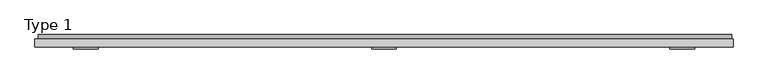
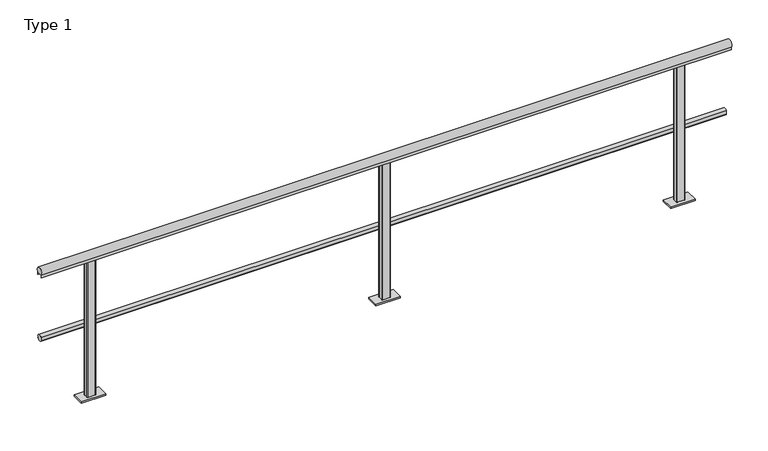
"""IFC4 building model written with IfcOpenShell, lengths in millimetres: railing geometry, Type 1."""

from ifc_helpers import new_model, si_unit, point, frame, frame_2d, origin, place, context, project, spatial, polyline, circle_curve, trimmed, segment, composite_curve, outline, extrude, source, transform, mapped, element, save
from ifc_brep_helpers import plane_surface, cylinder_surface, advanced_brep


def type_1_fb92566c(model_context):
    return source(origin(), model_context, "Body", "SolidModel", [
        extrude(outline(composite_curve([segment(trimmed(circle_curve(frame_2d((-5.287505, 488.0)), 20.0), [point((13.3, 480.617273))], [point((-21.0, 475.6259343))], False, "CARTESIAN"), True, "CONTINUOUS"), segment(polyline([(-21.0, 475.6259343), (-21.0, 500.3740657)]), True, "CONTINUOUS"), segment(trimmed(circle_curve(frame_2d((-5.287505, 488.0)), 20.0), [point((-21.0, 500.3740657))], [point((13.3, 495.382727))], False, "CARTESIAN"), True, "CONTINUOUS"), segment(polyline([(13.3, 495.382727), (9.3, 495.382727), (9.3, 480.617273), (13.3, 480.617273)]), True, "CONTINUOUS")], self_intersect=False)), frame((-280.0, 0.0, 0.0), z_axis=(1.0, 0.0, 0.0), x_axis=(0.0, 1.0, 0.0)), (0.0, 0.0, 1.0), 4470.0),
        extrude(outline(composite_curve([segment(trimmed(circle_curve(frame_2d((-40.0, 975.0)), 25.0), [point((-61.0, 961.43534))], [point((-19.0, 961.43534))], False, "CARTESIAN"), True, "CONTINUOUS"), segment(polyline([(-19.0, 961.43534), (-19.0, 943.0), (-20.0, 943.0), (-20.0, 958.0), (-60.0, 958.0), (-60.0, 943.0), (-61.0, 943.0), (-61.0, 961.43534)]), True, "CONTINUOUS")], self_intersect=False)), frame((-300.0, 0.0, 0.0), z_axis=(1.0, 0.0, 0.0), x_axis=(0.0, 1.0, 0.0)), (0.0, 0.0, 1.0), 4500.0),
        advanced_brep(
        [(1927.0, -59.0, 958.0), (1973.0, -59.0, 958.0), (1978.0, -54.0, 958.0), (1978.0, -26.0, 958.0), (1973.0, -21.0, 958.0), (1927.0, -21.0, 958.0), (1922.0, -26.0, 958.0), (1922.0, -54.0, 958.0), (1870.0, -80.0, 0.0), (1870.0, 0.0, 0.0), (2030.0, 0.0, 0.0), (2030.0, -80.0, 0.0), (1927.0, -59.0, 11.0), (1973.0, -59.0, 11.0), (1978.0, -54.0, 11.0), (1978.0, -26.0, 11.0), (1973.0, -21.0, 11.0), (1927.0, -21.0, 11.0), (1922.0, -26.0, 11.0), (1922.0, -54.0, 11.0), (1870.0, -80.0, 11.0), (2030.0, -80.0, 11.0), (2030.0, 0.0, 11.0), (1870.0, 0.0, 11.0)],
        [
            (0, 1),
            (1, 2, circle_curve(frame((1973.0, -54.0, 958.0), z_axis=(0.0, 0.0, 1.0), x_axis=(-1.0, 0.0, 0.0)), 5.0)),
            (2, 3),
            (3, 4, circle_curve(frame((1973.0, -26.0, 958.0), z_axis=(0.0, 0.0, 1.0), x_axis=(-1.0, 0.0, 0.0)), 5.0)),
            (4, 5),
            (5, 6, circle_curve(frame((1927.0, -26.0, 958.0), z_axis=(0.0, 0.0, 1.0), x_axis=(-1.0, 0.0, 0.0)), 5.0)),
            (6, 7),
            (7, 0, circle_curve(frame((1927.0, -54.0, 958.0), z_axis=(0.0, 0.0, 1.0), x_axis=(-1.0, 0.0, 0.0)), 5.0)),
            (8, 9),
            (9, 10),
            (10, 11),
            (11, 8),
            (0, 12),
            (12, 13),
            (13, 1),
            (13, 14, circle_curve(frame((1973.0, -54.0, 11.0), z_axis=(0.0, 0.0, 1.0), x_axis=(-1.0, 0.0, 0.0)), 5.0)),
            (14, 2),
            (14, 15),
            (15, 3),
            (15, 16, circle_curve(frame((1973.0, -26.0, 11.0), z_axis=(0.0, 0.0, 1.0), x_axis=(-1.0, 0.0, 0.0)), 5.0)),
            (16, 4),
            (16, 17),
            (17, 5),
            (17, 18, circle_curve(frame((1927.0, -26.0, 11.0), z_axis=(0.0, 0.0, 1.0), x_axis=(-1.0, 0.0, 0.0)), 5.0)),
            (18, 6),
            (18, 19),
            (19, 7),
            (19, 12, circle_curve(frame((1927.0, -54.0, 11.0), z_axis=(0.0, 0.0, 1.0), x_axis=(-1.0, 0.0, 0.0)), 5.0)),
            (20, 21),
            (21, 22),
            (22, 23),
            (23, 20),
            (20, 8),
            (11, 21),
            (10, 22),
            (9, 23),
        ],
        [
            plane_surface(frame((1973.0, -59.0, 958.0), z_axis=(0.0, 0.0, 1.0), x_axis=(1.0, 0.0, 0.0))),
            plane_surface(frame((1973.0, -59.0, 0.0), z_axis=(0.0, 0.0, -1.0), x_axis=(-1.0, 0.0, 0.0))),
            plane_surface(frame((1927.0, -59.0, 958.0), z_axis=(0.0, -1.0, 0.0), x_axis=(0.0, 0.0, -1.0))),
            cylinder_surface(frame((1973.0, -54.0, 0.0), z_axis=(0.0, 0.0, 1.0), x_axis=(-1.0, 0.0, 0.0)), 5.0),
            plane_surface(frame((1978.0, -54.0, 958.0), z_axis=(1.0, 0.0, 0.0), x_axis=(0.0, 0.0, -1.0))),
            cylinder_surface(frame((1973.0, -26.0, 0.0), z_axis=(0.0, 0.0, 1.0), x_axis=(-1.0, 0.0, 0.0)), 5.0),
            plane_surface(frame((1973.0, -21.0, 958.0), z_axis=(0.0, 1.0, 0.0), x_axis=(0.0, 0.0, -1.0))),
            cylinder_surface(frame((1927.0, -26.0, 0.0), z_axis=(0.0, 0.0, 1.0), x_axis=(-1.0, 0.0, 0.0)), 5.0),
            plane_surface(frame((1922.0, -26.0, 958.0), z_axis=(-1.0, 0.0, 0.0), x_axis=(0.0, 0.0, -1.0))),
            cylinder_surface(frame((1927.0, -54.0, 0.0), z_axis=(0.0, 0.0, 1.0), x_axis=(-1.0, 0.0, 0.0)), 5.0),
            plane_surface(frame((2030.0, -80.0, 11.0), z_axis=(0.0, 0.0, 1.0), x_axis=(1.0, 0.0, 0.0))),
            plane_surface(frame((1870.0, -80.0, 11.0), z_axis=(0.0, -1.0, 0.0), x_axis=(0.0, 0.0, -1.0))),
            plane_surface(frame((2030.0, -80.0, 11.0), z_axis=(1.0, 0.0, 0.0), x_axis=(0.0, 0.0, -1.0))),
            plane_surface(frame((2030.0, 0.0, 11.0), z_axis=(0.0, 1.0, 0.0), x_axis=(0.0, 0.0, -1.0))),
            plane_surface(frame((1870.0, 0.0, 11.0), z_axis=(-1.0, 0.0, 0.0), x_axis=(0.0, 0.0, -1.0))),
        ],
        [
            (0, [[1, 2, 3, 4, 5, 6, 7, 8]]),
            (1, [[9, 10, 11, 12]]),
            (2, [[-1, 13, 14, 15]]),
            (3, [[-2, -15, 16, 17]]),
            (4, [[-3, -17, 18, 19]]),
            (5, [[-4, -19, 20, 21]]),
            (6, [[-5, -21, 22, 23]]),
            (7, [[-6, -23, 24, 25]]),
            (8, [[-7, -25, 26, 27]]),
            (9, [[-8, -27, 28, -13]]),
            (10, [[29, 30, 31, 32], [-14, -28, -26, -24, -22, -20, -18, -16]]),
            (11, [[-29, 33, -12, 34]]),
            (12, [[-30, -34, -11, 35]]),
            (13, [[-31, -35, -10, 36]]),
            (14, [[-32, -36, -9, -33]]),
        ],
    ),
        advanced_brep(
        [(3849.0, -59.0, 958.0), (3895.0, -59.0, 958.0), (3900.0, -54.0, 958.0), (3900.0, -26.0, 958.0), (3895.0, -21.0, 958.0), (3849.0, -21.0, 958.0), (3844.0, -26.0, 958.0), (3844.0, -54.0, 958.0), (3792.0, -80.0, 0.0), (3792.0, 0.0, 0.0), (3952.0, 0.0, 0.0), (3952.0, -80.0, 0.0), (3849.0, -59.0, 11.0), (3895.0, -59.0, 11.0), (3900.0, -54.0, 11.0), (3900.0, -26.0, 11.0), (3895.0, -21.0, 11.0), (3849.0, -21.0, 11.0), (3844.0, -26.0, 11.0), (3844.0, -54.0, 11.0), (3792.0, -80.0, 11.0), (3952.0, -80.0, 11.0), (3952.0, 0.0, 11.0), (3792.0, 0.0, 11.0)],
        [
            (0, 1),
            (1, 2, circle_curve(frame((3895.0, -54.0, 958.0), z_axis=(0.0, 0.0, 1.0), x_axis=(-1.0, 0.0, 0.0)), 5.0)),
            (2, 3),
            (3, 4, circle_curve(frame((3895.0, -26.0, 958.0), z_axis=(0.0, 0.0, 1.0), x_axis=(-1.0, 0.0, 0.0)), 5.0)),
            (4, 5),
            (5, 6, circle_curve(frame((3849.0, -26.0, 958.0), z_axis=(0.0, 0.0, 1.0), x_axis=(-1.0, 0.0, 0.0)), 5.0)),
            (6, 7),
            (7, 0, circle_curve(frame((3849.0, -54.0, 958.0), z_axis=(0.0, 0.0, 1.0), x_axis=(-1.0, 0.0, 0.0)), 5.0)),
            (8, 9),
            (9, 10),
            (10, 11),
            (11, 8),
            (0, 12),
            (12, 13),
            (13, 1),
            (13, 14, circle_curve(frame((3895.0, -54.0, 11.0), z_axis=(0.0, 0.0, 1.0), x_axis=(-1.0, 0.0, 0.0)), 5.0)),
            (14, 2),
            (14, 15),
            (15, 3),
            (15, 16, circle_curve(frame((3895.0, -26.0, 11.0), z_axis=(0.0, 0.0, 1.0), x_axis=(-1.0, 0.0, 0.0)), 5.0)),
            (16, 4),
            (16, 17),
            (17, 5),
            (17, 18, circle_curve(frame((3849.0, -26.0, 11.0), z_axis=(0.0, 0.0, 1.0), x_axis=(-1.0, 0.0, 0.0)), 5.0)),
            (18, 6),
            (18, 19),
            (19, 7),
            (19, 12, circle_curve(frame((3849.0, -54.0, 11.0), z_axis=(0.0, 0.0, 1.0), x_axis=(-1.0, 0.0, 0.0)), 5.0)),
            (20, 21),
            (21, 22),
            (22, 23),
            (23, 20),
            (20, 8),
            (11, 21),
            (10, 22),
            (9, 23),
        ],
        [
            plane_surface(frame((3895.0, -59.0, 958.0), z_axis=(0.0, 0.0, 1.0), x_axis=(1.0, 0.0, 0.0))),
            plane_surface(frame((3895.0, -59.0, 0.0), z_axis=(0.0, 0.0, -1.0), x_axis=(-1.0, 0.0, 0.0))),
            plane_surface(frame((3849.0, -59.0, 958.0), z_axis=(0.0, -1.0, 0.0), x_axis=(0.0, 0.0, -1.0))),
            cylinder_surface(frame((3895.0, -54.0, 0.0), z_axis=(0.0, 0.0, 1.0), x_axis=(-1.0, 0.0, 0.0)), 5.0),
            plane_surface(frame((3900.0, -54.0, 958.0), z_axis=(1.0, 0.0, 0.0), x_axis=(0.0, 0.0, -1.0))),
            cylinder_surface(frame((3895.0, -26.0, 0.0), z_axis=(0.0, 0.0, 1.0), x_axis=(-1.0, 0.0, 0.0)), 5.0),
            plane_surface(frame((3895.0, -21.0, 958.0), z_axis=(0.0, 1.0, 0.0), x_axis=(0.0, 0.0, -1.0))),
            cylinder_surface(frame((3849.0, -26.0, 0.0), z_axis=(0.0, 0.0, 1.0), x_axis=(-1.0, 0.0, 0.0)), 5.0),
            plane_surface(frame((3844.0, -26.0, 958.0), z_axis=(-1.0, 0.0, 0.0), x_axis=(0.0, 0.0, -1.0))),
            cylinder_surface(frame((3849.0, -54.0, 0.0), z_axis=(0.0, 0.0, 1.0), x_axis=(-1.0, 0.0, 0.0)), 5.0),
            plane_surface(frame((3952.0, -80.0, 11.0), z_axis=(0.0, 0.0, 1.0), x_axis=(1.0, 0.0, 0.0))),
            plane_surface(frame((3792.0, -80.0, 11.0), z_axis=(0.0, -1.0, 0.0), x_axis=(0.0, 0.0, -1.0))),
            plane_surface(frame((3952.0, -80.0, 11.0), z_axis=(1.0, 0.0, 0.0), x_axis=(0.0, 0.0, -1.0))),
            plane_surface(frame((3952.0, 0.0, 11.0), z_axis=(0.0, 1.0, 0.0), x_axis=(0.0, 0.0, -1.0))),
            plane_surface(frame((3792.0, 0.0, 11.0), z_axis=(-1.0, 0.0, 0.0), x_axis=(0.0, 0.0, -1.0))),
        ],
        [
            (0, [[1, 2, 3, 4, 5, 6, 7, 8]]),
            (1, [[9, 10, 11, 12]]),
            (2, [[-1, 13, 14, 15]]),
            (3, [[-2, -15, 16, 17]]),
            (4, [[-3, -17, 18, 19]]),
            (5, [[-4, -19, 20, 21]]),
            (6, [[-5, -21, 22, 23]]),
            (7, [[-6, -23, 24, 25]]),
            (8, [[-7, -25, 26, 27]]),
            (9, [[-8, -27, 28, -13]]),
            (10, [[29, 30, 31, 32], [-14, -28, -26, -24, -22, -20, -18, -16]]),
            (11, [[-29, 33, -12, 34]]),
            (12, [[-30, -34, -11, 35]]),
            (13, [[-31, -35, -10, 36]]),
            (14, [[-32, -36, -9, -33]]),
        ],
    ),
        advanced_brep(
        [(5.0, -59.0, 958.0), (51.0, -59.0, 958.0), (56.0, -54.0, 958.0), (56.0, -26.0, 958.0), (51.0, -21.0, 958.0), (5.0, -21.0, 958.0), (0.0, -26.0, 958.0), (0.0, -54.0, 958.0), (-52.0, -80.0, 0.0), (-52.0, 0.0, 0.0), (108.0, 0.0, 0.0), (108.0, -80.0, 0.0), (5.0, -59.0, 11.0), (51.0, -59.0, 11.0), (56.0, -54.0, 11.0), (56.0, -26.0, 11.0), (51.0, -21.0, 11.0), (5.0, -21.0, 11.0), (0.0, -26.0, 11.0), (0.0, -54.0, 11.0), (-52.0, -80.0, 11.0), (108.0, -80.0, 11.0), (108.0, 0.0, 11.0), (-52.0, 0.0, 11.0)],
        [
            (0, 1),
            (1, 2, circle_curve(frame((51.0, -54.0, 958.0), z_axis=(0.0, 0.0, 1.0), x_axis=(-1.0, 0.0, 0.0)), 5.0)),
            (2, 3),
            (3, 4, circle_curve(frame((51.0, -26.0, 958.0), z_axis=(0.0, 0.0, 1.0), x_axis=(-1.0, 0.0, 0.0)), 5.0)),
            (4, 5),
            (5, 6, circle_curve(frame((5.0, -26.0, 958.0), z_axis=(0.0, 0.0, 1.0), x_axis=(-1.0, 0.0, 0.0)), 5.0)),
            (6, 7),
            (7, 0, circle_curve(frame((5.0, -54.0, 958.0), z_axis=(0.0, 0.0, 1.0), x_axis=(-1.0, 0.0, 0.0)), 5.0)),
            (8, 9),
            (9, 10),
            (10, 11),
            (11, 8),
            (0, 12),
            (12, 13),
            (13, 1),
            (13, 14, circle_curve(frame((51.0, -54.0, 11.0), z_axis=(0.0, 0.0, 1.0), x_axis=(-1.0, 0.0, 0.0)), 5.0)),
            (14, 2),
            (14, 15),
            (15, 3),
            (15, 16, circle_curve(frame((51.0, -26.0, 11.0), z_axis=(0.0, 0.0, 1.0), x_axis=(-1.0, 0.0, 0.0)), 5.0)),
            (16, 4),
            (16, 17),
            (17, 5),
            (17, 18, circle_curve(frame((5.0, -26.0, 11.0), z_axis=(0.0, 0.0, 1.0), x_axis=(-1.0, 0.0, 0.0)), 5.0)),
            (18, 6),
            (18, 19),
            (19, 7),
            (19, 12, circle_curve(frame((5.0, -54.0, 11.0), z_axis=(0.0, 0.0, 1.0), x_axis=(-1.0, 0.0, 0.0)), 5.0)),
            (20, 21),
            (21, 22),
            (22, 23),
            (23, 20),
            (20, 8),
            (11, 21),
            (10, 22),
            (9, 23),
        ],
        [
            plane_surface(frame((51.0, -59.0, 958.0), z_axis=(0.0, 0.0, 1.0), x_axis=(1.0, 0.0, 0.0))),
            plane_surface(frame((51.0, -59.0, 0.0), z_axis=(0.0, 0.0, -1.0), x_axis=(-1.0, 0.0, 0.0))),
            plane_surface(frame((5.0, -59.0, 958.0), z_axis=(0.0, -1.0, 0.0), x_axis=(0.0, 0.0, -1.0))),
            cylinder_surface(frame((51.0, -54.0, 0.0), z_axis=(0.0, 0.0, 1.0), x_axis=(-1.0, 0.0, 0.0)), 5.0),
            plane_surface(frame((56.0, -54.0, 958.0), z_axis=(1.0, 0.0, 0.0), x_axis=(0.0, 0.0, -1.0))),
            cylinder_surface(frame((51.0, -26.0, 0.0), z_axis=(0.0, 0.0, 1.0), x_axis=(-1.0, 0.0, 0.0)), 5.0),
            plane_surface(frame((51.0, -21.0, 958.0), z_axis=(0.0, 1.0, 0.0), x_axis=(0.0, 0.0, -1.0))),
            cylinder_surface(frame((5.0, -26.0, 0.0), z_axis=(0.0, 0.0, 1.0), x_axis=(-1.0, 0.0, 0.0)), 5.0),
            plane_surface(frame((0.0, -26.0, 958.0), z_axis=(-1.0, 0.0, 0.0), x_axis=(0.0, 0.0, -1.0))),
            cylinder_surface(frame((5.0, -54.0, 0.0), z_axis=(0.0, 0.0, 1.0), x_axis=(-1.0, 0.0, 0.0)), 5.0),
            plane_surface(frame((108.0, -80.0, 11.0), z_axis=(0.0, 0.0, 1.0), x_axis=(1.0, 0.0, 0.0))),
            plane_surface(frame((-52.0, -80.0, 11.0), z_axis=(0.0, -1.0, 0.0), x_axis=(0.0, 0.0, -1.0))),
            plane_surface(frame((108.0, -80.0, 11.0), z_axis=(1.0, 0.0, 0.0), x_axis=(0.0, 0.0, -1.0))),
            plane_surface(frame((108.0, 0.0, 11.0), z_axis=(0.0, 1.0, 0.0), x_axis=(0.0, 0.0, -1.0))),
            plane_surface(frame((-52.0, 0.0, 11.0), z_axis=(-1.0, 0.0, 0.0), x_axis=(0.0, 0.0, -1.0))),
        ],
        [
            (0, [[1, 2, 3, 4, 5, 6, 7, 8]]),
            (1, [[9, 10, 11, 12]]),
            (2, [[-1, 13, 14, 15]]),
            (3, [[-2, -15, 16, 17]]),
            (4, [[-3, -17, 18, 19]]),
            (5, [[-4, -19, 20, 21]]),
            (6, [[-5, -21, 22, 23]]),
            (7, [[-6, -23, 24, 25]]),
            (8, [[-7, -25, 26, 27]]),
            (9, [[-8, -27, 28, -13]]),
            (10, [[29, 30, 31, 32], [-14, -28, -26, -24, -22, -20, -18, -16]]),
            (11, [[-29, 33, -12, 34]]),
            (12, [[-30, -34, -11, 35]]),
            (13, [[-31, -35, -10, 36]]),
            (14, [[-32, -36, -9, -33]]),
        ],
    ),
    ])


if __name__ == "__main__":
    model = new_model("IFC4")
    model_context = context("Model", 3, world=origin())
    ifc_project = project(units=[si_unit("LENGTHUNIT", "METRE", prefix="MILLI")], contexts=[model_context])
    site = spatial("IfcSite", under=ifc_project)
    building = spatial("IfcBuilding", under=site)
    placement = place(None, origin())
    type_1_shape = type_1_fb92566c(model_context)
    element("IfcRailing", 1, ObjectType="Type 1", at=placement, inside=building, context=model_context, shape_type="MappedRepresentation", body=[
        mapped(type_1_shape, transform((0.0, 0.0, 0.0), x_axis=(1.0, 0.0, 0.0), y_axis=(0.0, 1.0, 0.0), z_axis=(0.0, 0.0, 1.0))),
    ])
    save(model, "model.ifc")
